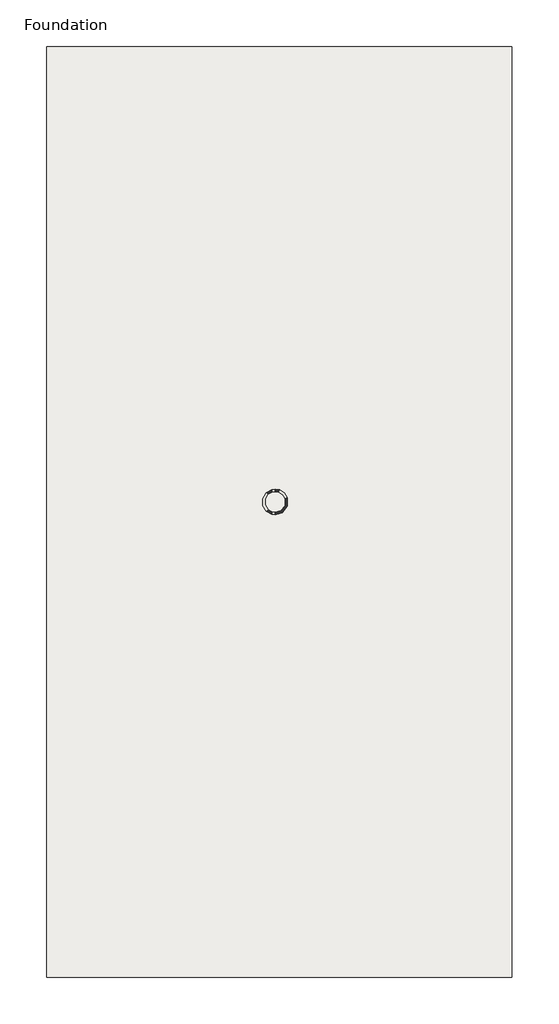
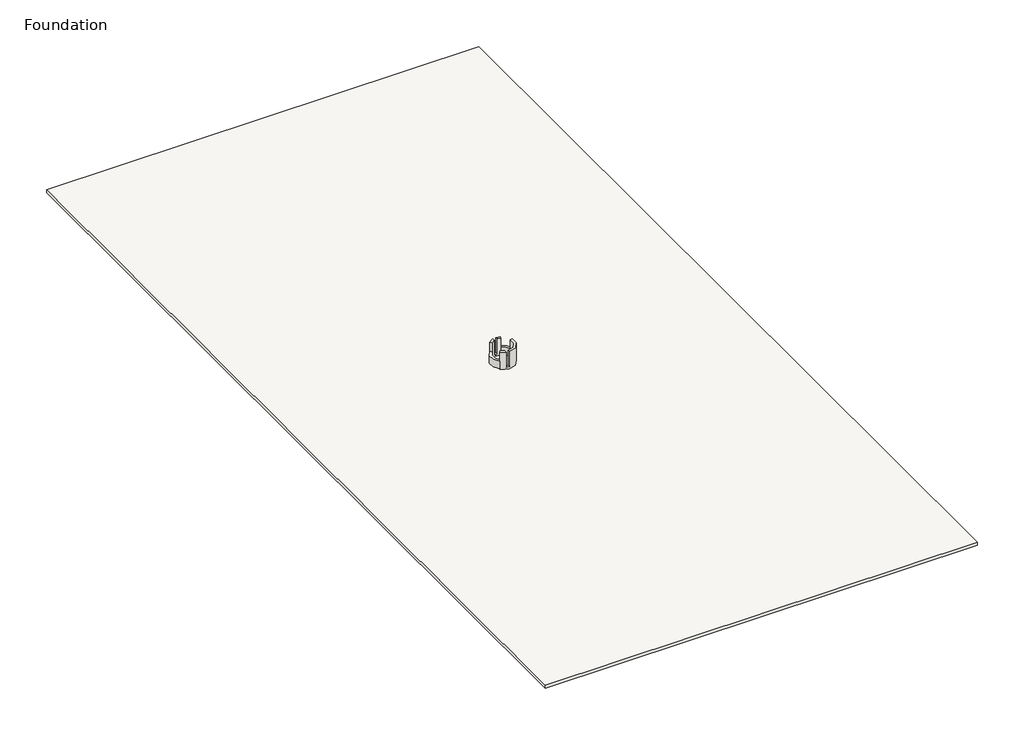
# One storey: 4 walls, 1 slab.
"""IFC4 building model written with IfcOpenShell, lengths in millimetres."""

import ifcopenshell
import ifcopenshell.guid

model = None  # the IFC model being written
_history = None  # IfcOwnerHistory: only IFC2X3 demands one
_inside = {}  # id of a spatial element -> (the spatial element, [elements in it])
_under = {}  # id of a project, library or spatial element -> (it, [spatial elements below it])
_declared = {}  # id of a project -> (the project, [libraries it declares])
_typed = {}  # id of a type object -> (the type object, [elements of that type])
_made_of = {}  # id of a material, layer set ... -> (it, [elements and type objects made of it])


def new_model(schema):
    """Start an empty IFC model of exactly this schema.

    Asked for "IFC4X3", IfcOpenShell would pick the latest addendum, in which some entities
    have other attributes; the version numbers below select the first issue.
    IFC2X3 requires an IfcOwnerHistory on every rooted entity: one is made here for all.
    """
    global model, _history
    if schema == "IFC4X3":
        model = ifcopenshell.file(schema_version=(4, 3, 0, 0))
    else:
        model = ifcopenshell.file(schema=schema)
    _inside.clear()
    _under.clear()
    _declared.clear()
    _typed.clear()
    _made_of.clear()
    _history = None
    if model.schema == "IFC2X3":
        org = make("IfcOrganization", Name="unknown")
        user = make(
            "IfcPersonAndOrganization",
            ThePerson=make("IfcPerson", FamilyName="unknown"),
            TheOrganization=org,
        )
        app = make(
            "IfcApplication",
            ApplicationDeveloper=org,
            Version="unknown",
            ApplicationFullName="unknown",
            ApplicationIdentifier="unknown",
        )
        _history = make(
            "IfcOwnerHistory",
            OwningUser=user,
            OwningApplication=app,
            ChangeAction="ADDED",
            CreationDate=0,
        )
    return model


def make(cls, **values):
    """One entity of the class cls with the attributes given. An attribute that is None is left unset."""
    return model.create_entity(
        cls, **{name: value for name, value in values.items() if value is not None}
    )


def rooted(cls, **values):
    """An entity with a GlobalId (a new one), such as an element, a storey or a relation."""
    return make(cls, GlobalId=ifcopenshell.guid.new(), OwnerHistory=_history, **values)


def si_unit(unit_type, name, prefix=None):
    """IfcSIUnit, for example si_unit("LENGTHUNIT", "METRE", prefix="MILLI")."""
    return make("IfcSIUnit", UnitType=unit_type, Prefix=prefix, Name=name)


def assignment(units):
    """IfcUnitAssignment: the units of a project."""
    return None if units is None else make("IfcUnitAssignment", Units=units)


def point(xyz):
    """IfcCartesianPoint."""
    return None if xyz is None else make("IfcCartesianPoint", Coordinates=xyz)


def direction(xyz):
    """IfcDirection."""
    return None if xyz is None else make("IfcDirection", DirectionRatios=xyz)


def frame(location, z_axis=None, x_axis=None):
    """IfcAxis2Placement3D, a coordinate frame: its origin and axes. An axis left out is left unset."""
    return make(
        "IfcAxis2Placement3D",
        Location=point(location),
        Axis=direction(z_axis),
        RefDirection=direction(x_axis),
    )


def frame_2d(location, x_axis=None):
    """IfcAxis2Placement2D, a coordinate frame in the plane: its origin and x axis."""
    return make(
        "IfcAxis2Placement2D", Location=point(location), RefDirection=direction(x_axis)
    )


def origin():
    """The frame at (0, 0, 0) with its axes left unset."""
    return frame((0.0, 0.0, 0.0))


def place(relative_to, where):
    """IfcLocalPlacement: puts the frame where relative to a parent placement (None: the world)."""
    return make(
        "IfcLocalPlacement", PlacementRelTo=relative_to, RelativePlacement=where
    )


def context(
    kind, dimensions, precision=None, world=None, true_north=None, identifier=None
):
    """IfcGeometricRepresentationContext, for example the 3D "Model" context."""
    return make(
        "IfcGeometricRepresentationContext",
        ContextIdentifier=identifier,
        ContextType=kind,
        CoordinateSpaceDimension=dimensions,
        Precision=precision,
        WorldCoordinateSystem=world,
        TrueNorth=true_north,
    )


def project(units=None, contexts=None):
    """IfcProject with its units and contexts."""
    return rooted(
        "IfcProject",
        Name="project",
        RepresentationContexts=contexts,
        UnitsInContext=assignment(units),
    )


def spatial(cls, under=None, at=None, **own):
    """A site, building, storey or space (cls), placed at a placement, below another one or the project."""
    s = rooted(cls, ObjectPlacement=at, **own)
    if under is not None:
        _under.setdefault(under.id(), (under, []))[1].append(s)
    return s


def polyline(points):
    """IfcPolyline through the points."""
    return make("IfcPolyline", Points=[point(p) for p in points])


def circle_curve(where, radius):
    """IfcCircle in the frame where."""
    return make("IfcCircle", Position=where, Radius=radius)


def trimmed(basis, trim1, trim2, sense, master):
    """IfcTrimmedCurve: the piece of a basis curve between two trims."""
    return make(
        "IfcTrimmedCurve",
        BasisCurve=basis,
        Trim1=trim1,
        Trim2=trim2,
        SenseAgreement=sense,
        MasterRepresentation=master,
    )


def segment(curve, same_sense, transition):
    """IfcCompositeCurveSegment."""
    return make(
        "IfcCompositeCurveSegment",
        Transition=transition,
        SameSense=same_sense,
        ParentCurve=curve,
    )


def composite_curve(segments, self_intersect=None):
    """IfcCompositeCurve: segments joined end to end."""
    return make("IfcCompositeCurve", Segments=segments, SelfIntersect=self_intersect)


def outline(outer, holes=None, kind="AREA"):
    """IfcArbitraryClosedProfileDef: a profile drawn as a closed curve; with holes, ...WithVoids."""
    if holes is None:
        return make("IfcArbitraryClosedProfileDef", ProfileType=kind, OuterCurve=outer)
    return make(
        "IfcArbitraryProfileDefWithVoids",
        ProfileType=kind,
        OuterCurve=outer,
        InnerCurves=holes,
    )


def extrude(swept, where, along, depth):
    """IfcExtrudedAreaSolid: the profile swept, set in the frame where, extruded along a direction by depth."""
    return make(
        "IfcExtrudedAreaSolid",
        SweptArea=swept,
        Position=where,
        ExtrudedDirection=direction(along),
        Depth=depth,
    )


def shape(context_of_items, identifier, shape_type, items):
    """IfcShapeRepresentation: the items that make up one representation, for example the "Body"."""
    return make(
        "IfcShapeRepresentation",
        ContextOfItems=context_of_items,
        RepresentationIdentifier=identifier,
        RepresentationType=shape_type,
        Items=items,
    )


def made_of(thing, what):
    """Note that an element or type object is made of a material, layer set ...; save() writes the relation."""
    if what is not None:
        _made_of.setdefault(what.id(), (what, []))[1].append(thing)
    return thing


def element(
    cls,
    number,
    at=None,
    inside=None,
    cuts=None,
    type_object=None,
    material=None,
    context=None,
    identifier="Body",
    shape_type=None,
    held_by="IfcProductDefinitionShape",
    body=None,
    shapes=None,
    **own,
):
    """One element of the class cls, such as IfcWall. Its Tag is "e" and its number.

    at: its placement. inside: the storey or other place that contains it. cuts: it is an
    opening in that element (IfcRelVoidsElement). A single representation is given by context,
    identifier, shape_type and body (its items); several are given by shapes. held_by: the class
    of the entity that holds the representations. save() writes the other relations.
    """
    e = rooted(cls, Tag="e%d" % number, ObjectPlacement=at, **own)
    if body is not None:
        shapes = [shape(context, identifier, shape_type, body)]
    if shapes is not None:
        e.Representation = make(held_by, Representations=shapes)
    if inside is not None:
        _inside.setdefault(inside.id(), (inside, []))[1].append(e)
    if cuts is not None:
        rooted(
            "IfcRelVoidsElement", RelatingBuildingElement=cuts, RelatedOpeningElement=e
        )
    if type_object is not None:
        _typed.setdefault(type_object.id(), (type_object, []))[1].append(e)
    return made_of(e, material)


def aggregate(whole, parts):
    """IfcRelAggregates: a whole, such as a stair, and the parts it consists of."""
    return rooted("IfcRelAggregates", RelatingObject=whole, RelatedObjects=parts)


def save(model, path):
    """Write the relations noted so far, then the file.

    IfcRelAggregates (storeys below a building ...), IfcRelContainedInSpatialStructure (elements
    in a storey), IfcRelDefinesByType, IfcRelAssociatesMaterial and IfcRelDeclares: one each for
    every whole, place, type object, material and project.
    """
    for whole, parts in _under.values():
        aggregate(whole, parts)
    for where, things in _inside.values():
        rooted(
            "IfcRelContainedInSpatialStructure",
            RelatedElements=things,
            RelatingStructure=where,
        )
    for kind, things in _typed.values():
        rooted("IfcRelDefinesByType", RelatedObjects=things, RelatingType=kind)
    for what, things in _made_of.values():
        rooted("IfcRelAssociatesMaterial", RelatedObjects=things, RelatingMaterial=what)
    for by, libraries in _declared.values():
        rooted("IfcRelDeclares", RelatingContext=by, RelatedDefinitions=libraries)
    model.write(path)


def plane_surface(at):
    """IfcPlane: the flat surface through the origin of the frame at, square to its z axis."""
    return make("IfcPlane", Position=at)


def cylinder_surface(at, radius):
    """IfcCylindricalSurface: all points at the distance radius from the z axis of the frame at."""
    return make("IfcCylindricalSurface", Position=at, Radius=radius)


def revolved_surface(curve, axis_point, axis_direction):
    """IfcSurfaceOfRevolution: the curve turned about the line through axis_point along axis_direction."""
    return make(
        "IfcSurfaceOfRevolution",
        SweptCurve=make("IfcArbitraryOpenProfileDef", ProfileType="CURVE", Curve=curve),
        AxisPosition=make("IfcAxis1Placement", Location=point(axis_point), Axis=direction(axis_direction)),
    )


def advanced_brep(points, edges, surfaces, faces):
    """IfcAdvancedBrep: a solid bounded by faces that lie on surfaces and meet in shared edges.

    An edge is (start, end): straight between two places in points (the first is 0);
    or (start, end, curve); or (start, end, curve, False) where it runs against its curve.
    A face is (place in surfaces, loops), or (place, loops, False) where it looks against
    its surface's normal. A loop lists edges by number (the first is 1), with a minus sign
    where the edge is run from its end to its start. The first loop is the outer one.
    """
    corners = [point(p) for p in points]
    vertices = [make("IfcVertexPoint", VertexGeometry=c) for c in corners]
    made = []
    for start, end, *more in edges:
        made.append(
            make(
                "IfcEdgeCurve",
                EdgeStart=vertices[start],
                EdgeEnd=vertices[end],
                EdgeGeometry=more[0] if more else make("IfcPolyline", Points=[corners[start], corners[end]]),
                SameSense=more[1] if len(more) > 1 else True,
            )
        )
    hull = []
    for where, loops, *sense in faces:
        bounds = []
        for j, loop in enumerate(loops):
            ring = [make("IfcOrientedEdge", EdgeElement=made[abs(k) - 1], Orientation=k > 0) for k in loop]
            bounds.append(
                make(
                    "IfcFaceOuterBound" if j == 0 else "IfcFaceBound",
                    Bound=make("IfcEdgeLoop", EdgeList=ring),
                    Orientation=True,
                )
            )
        hull.append(make("IfcAdvancedFace", Bounds=bounds, FaceSurface=surfaces[where], SameSense=sense[0] if sense else True))
    return make("IfcAdvancedBrep", Outer=make("IfcClosedShell", CfsFaces=hull))


model = new_model("IFC4")

# Units and contexts
model_context = context("Model", 3, world=origin())
ifc_project = project(units=[si_unit("LENGTHUNIT", "METRE", prefix="MILLI")], contexts=[model_context])

# Site, building, storey
site = spatial("IfcSite", under=ifc_project)
building = spatial("IfcBuilding", under=site)
storey = spatial("IfcBuildingStorey", under=building, Name="Foundation", Elevation=-600.0)

# Slab
placement = place(None, origin())
element("IfcSlab", 1, ObjectType="Grass", at=placement, inside=storey, context=model_context, shape_type="SweptSolid", body=[
    extrude(outline(polyline([(48550.0, -29305.3566039), (8550.0, -29305.3566039), (8550.0, 50694.6433961), (48550.0, 50694.6433961), (48550.0, -29305.3566039)])), frame((0.0, 0.0, -500.0), z_axis=(0.0, 0.0, 1.0), x_axis=(1.0, 0.0, 0.0)), (0.0, 0.0, 1.0), 300.0),
])

# Walls
element("IfcWall", 2, ObjectType="Wall 200", at=placement, inside=storey, context=model_context, shape_type="AdvancedBrep", body=[
    advanced_brep(
    [(27583.9061217, 10897.6796482, 1500.0), (27440.1649102, 10744.5833905, 1500.0), (27900.0, 10485.0988056, 1500.0), (27900.0, 10705.2570781, 1500.0), (29253.4576829, 11903.3779902, 1500.0), (29054.1435049, 11837.2428372, 1500.0), (28200.0, 10653.8064689, 1500.0), (28200.0, 10443.8064685, 1500.0), (27583.9061217, 10897.6796482, -200.0), (29054.1435049, 11837.2428372, -200.0), (29253.4576829, 11903.3779902, -200.0), (27440.1649102, 10744.5833905, -200.0), (27583.9061217, 10897.6796482, -120.0), (27583.9061217, 10897.6796482, 600.0), (27900.0, 10705.2570781, 0.0), (28200.0, 10653.8064689, 0.0), (29054.1435049, 11837.2428372, 600.0), (29054.1435049, 11837.2428372, -120.0), (27440.1649102, 10744.5833905, -120.0), (27440.1649102, 10744.5833905, 600.0), (29253.4576829, 11903.3779902, -120.0), (29253.4576829, 11903.3779902, 600.0), (28200.0, 10443.8064685, 0.0), (27900.0, 10485.0988056, 0.0)],
    [
        (0, 1),
        (1, 2, circle_curve(frame((28199.9398851, 11553.8064669, 1500.0), z_axis=(0.0, 0.0, 1.0), x_axis=(1.0, 0.0, 0.0)), 1110.0)),
        (2, 3),
        (3, 0, circle_curve(frame((28199.9398851, 11553.8064669, 1500.0), z_axis=(0.0, 0.0, -1.0), x_axis=(1.0, 0.0, 0.0)), 900.0)),
        (4, 5),
        (5, 6, circle_curve(frame((28199.9398851, 11553.8064669, 1500.0), z_axis=(0.0, 0.0, -1.0), x_axis=(1.0, 0.0, 0.0)), 900.0)),
        (6, 7),
        (7, 4, circle_curve(frame((28199.9398851, 11553.8064669, 1500.0), z_axis=(0.0, 0.0, 1.0), x_axis=(1.0, 0.0, 0.0)), 1110.0)),
        (8, 9, circle_curve(frame((28199.9398851, 11553.8064669, -200.0), z_axis=(0.0, 0.0, 1.0), x_axis=(1.0, 0.0, 0.0)), 900.0)),
        (9, 10),
        (10, 11, circle_curve(frame((28199.9398851, 11553.8064669, -200.0), z_axis=(0.0, 0.0, -1.0), x_axis=(1.0, 0.0, 0.0)), 1110.0)),
        (11, 8),
        (8, 12),
        (12, 13),
        (13, 0),
        (3, 14),
        (14, 15, circle_curve(frame((28199.9398851, 11553.8064669, 0.0), z_axis=(0.0, 0.0, 1.0), x_axis=(1.0, 0.0, 0.0)), 900.0)),
        (15, 6),
        (5, 16),
        (16, 17),
        (17, 9),
        (11, 18),
        (18, 19),
        (19, 1),
        (10, 20),
        (20, 21),
        (21, 4),
        (7, 22),
        (22, 23, circle_curve(frame((28199.9398851, 11553.8064669, 0.0), z_axis=(0.0, 0.0, -1.0), x_axis=(1.0, 0.0, 0.0)), 1110.0)),
        (23, 2),
        (23, 14),
        (15, 22),
    ],
    [
        plane_surface(frame((29099.9398851, 11553.8064669, 1500.0), z_axis=(0.0, 0.0, 1.0), x_axis=(0.0, -1.0, 0.0))),
        plane_surface(frame((29099.9398851, 11553.8064669, -200.0), z_axis=(0.0, 0.0, -1.0), x_axis=(0.0, 1.0, 0.0))),
        revolved_surface(polyline([(29099.9398851, 11553.8064669, -200.0), (29099.9398851, 11553.8064669, 1500.0)]), (28199.9398851, 11553.8064669, -200.0), (0.0, 0.0, -1.0)),
        plane_surface(frame((27583.9061217, 10897.6796482, 1500.0), z_axis=(-0.7290297985734765, 0.6844819594349556, 0.0), x_axis=(0.0, 0.0, -1.0))),
        cylinder_surface(frame((28199.9398851, 11553.8064669, -200.0), z_axis=(0.0, 0.0, 1.0), x_axis=(1.0, 0.0, 0.0)), 1110.0),
        plane_surface(frame((29253.4576829, 11903.3779902, 1500.0), z_axis=(-0.31492930029176736, 0.9491151330674998, 0.0), x_axis=(0.0, 0.0, -1.0))),
        plane_surface(frame((27900.0, 13200.0, 0.0), z_axis=(1.0, 0.0, 0.0), x_axis=(0.0, -1.0, 0.0))),
        plane_surface(frame((28200.0, 13200.0, 0.0), z_axis=(-1.0, 0.0, 0.0), x_axis=(0.0, 1.0, 0.0))),
        plane_surface(frame((27900.0, 13500.0, 0.0), z_axis=(0.0, 0.0, 1.0), x_axis=(1.0, 0.0, 0.0))),
    ],
    [
        (0, [[1, 2, 3, 4]]),
        (0, [[5, 6, 7, 8]]),
        (1, [[9, 10, 11, 12]]),
        (2, [[-9, 13, 14, 15, -4, 16, 17, 18, -6, 19, 20, 21]]),
        (3, [[-1, -15, -14, -13, -12, 22, 23, 24]]),
        (4, [[-11, 25, 26, 27, -8, 28, 29, 30, -2, -24, -23, -22]]),
        (5, [[-5, -27, -26, -25, -10, -21, -20, -19]]),
        (6, [[31, -16, -3, -30]]),
        (7, [[32, -28, -7, -18]]),
        (8, [[-31, -29, -32, -17]]),
    ],
),
])
element("IfcWall", 3, ObjectType="Wall 200", at=placement, inside=storey, context=model_context, shape_type="SweptSolid", body=[
    extrude(outline(composite_curve([segment(polyline([(28504.0435347, 12400.8725625), (28575.0010529, 12598.5213182)]), True, "CONTINUOUS"), segment(trimmed(circle_curve(frame_2d((28199.9398851, 11553.8064669)), 1110.0), [point((28575.0010529, 12598.5213182))], [point((29253.4576829, 11903.3779902))], False, "CARTESIAN"), True, "CONTINUOUS"), segment(polyline([(29253.4576829, 11903.3779902), (29054.1435049, 11837.2428372)]), True, "CONTINUOUS"), segment(trimmed(circle_curve(frame_2d((28199.9398851, 11553.8064669)), 900.0), [point((29054.1435049, 11837.2428372))], [point((28504.0435347, 12400.8725625))], True, "CARTESIAN"), True, "CONTINUOUS")], self_intersect=False)), frame((0.0, 0.0, -120.0), z_axis=(0.0, 0.0, 1.0), x_axis=(1.0, 0.0, 0.0)), (0.0, 0.0, 1.0), 720.0),
])
element("IfcWall", 4, ObjectType="Wall 200", at=placement, inside=storey, context=model_context, shape_type="SweptSolid", body=[
    extrude(outline(composite_curve([segment(polyline([(27583.9061217, 10897.6796482), (27440.1649102, 10744.5833905)]), True, "CONTINUOUS"), segment(trimmed(circle_curve(frame_2d((28199.9398851, 11553.8064669)), 1110.0), [point((27440.1649102, 10744.5833905))], [point((27434.6239009, 12357.7911958))], False, "CARTESIAN"), True, "CONTINUOUS"), segment(polyline([(27434.6239009, 12357.7911958), (27579.4134114, 12205.6859768)]), True, "CONTINUOUS"), segment(trimmed(circle_curve(frame_2d((28199.9398851, 11553.8064669)), 900.0), [point((27579.4134114, 12205.6859768))], [point((27583.9061217, 10897.6796482))], True, "CARTESIAN"), True, "CONTINUOUS")], self_intersect=False)), frame((0.0, 0.0, -120.0), z_axis=(0.0, 0.0, 1.0), x_axis=(1.0, 0.0, 0.0)), (0.0, 0.0, 1.0), 720.0),
])
element("IfcWall", 5, ObjectType="Wall 200", at=placement, inside=storey, context=model_context, shape_type="AdvancedBrep", body=[
    advanced_brep(
    [(28504.0435347, 12400.8725625, 1500.0), (28575.0010529, 12598.5213182, 1500.0), (28200.0, 12663.8064653, 1500.0), (28200.0, 12453.8064649, 1500.0), (27434.6239009, 12357.7911958, 1500.0), (27579.4134114, 12205.6859768, 1500.0), (27900.0, 12402.3558557, 1500.0), (27900.0, 12622.5141282, 1500.0), (28504.0435347, 12400.8725625, -120.0), (27579.4134114, 12205.6859768, -120.0), (27434.6239009, 12357.7911958, -120.0), (28575.0010529, 12598.5213182, -120.0), (28504.0435347, 12400.8725625, 600.0), (28200.0, 12453.8064649, 0.0), (27900.0, 12402.3558557, 0.0), (27579.4134114, 12205.6859768, 600.0), (28575.0010529, 12598.5213182, 600.0), (27434.6239009, 12357.7911958, 600.0), (27900.0, 12622.5141282, 0.0), (28200.0, 12663.8064653, 0.0)],
    [
        (0, 1),
        (1, 2, circle_curve(frame((28199.9398851, 11553.8064669, 1500.0), z_axis=(0.0, 0.0, 1.0), x_axis=(1.0, 0.0, 0.0)), 1110.0)),
        (2, 3),
        (3, 0, circle_curve(frame((28199.9398851, 11553.8064669, 1500.0), z_axis=(0.0, 0.0, -1.0), x_axis=(1.0, 0.0, 0.0)), 900.0)),
        (4, 5),
        (5, 6, circle_curve(frame((28199.9398851, 11553.8064669, 1500.0), z_axis=(0.0, 0.0, -1.0), x_axis=(1.0, 0.0, 0.0)), 900.0)),
        (6, 7),
        (7, 4, circle_curve(frame((28199.9398851, 11553.8064669, 1500.0), z_axis=(0.0, 0.0, 1.0), x_axis=(1.0, 0.0, 0.0)), 1110.0)),
        (8, 9, circle_curve(frame((28199.9398851, 11553.8064669, -120.0), z_axis=(0.0, 0.0, 1.0), x_axis=(1.0, 0.0, 0.0)), 900.0)),
        (9, 10),
        (10, 11, circle_curve(frame((28199.9398851, 11553.8064669, -120.0), z_axis=(0.0, 0.0, -1.0), x_axis=(1.0, 0.0, 0.0)), 1110.0)),
        (11, 8),
        (8, 12),
        (12, 0),
        (3, 13),
        (13, 14, circle_curve(frame((28199.9398851, 11553.8064669, 0.0), z_axis=(0.0, 0.0, 1.0), x_axis=(1.0, 0.0, 0.0)), 900.0)),
        (14, 6),
        (5, 15),
        (15, 9),
        (11, 16),
        (16, 1),
        (10, 17),
        (17, 4),
        (7, 18),
        (18, 19, circle_curve(frame((28199.9398851, 11553.8064669, 0.0), z_axis=(0.0, 0.0, -1.0), x_axis=(1.0, 0.0, 0.0)), 1110.0)),
        (19, 2),
        (14, 18),
        (19, 13),
    ],
    [
        plane_surface(frame((29099.9398851, 11553.8064669, 1500.0), z_axis=(0.0, 0.0, 1.0), x_axis=(0.0, -1.0, 0.0))),
        plane_surface(frame((29099.9398851, 11553.8064669, -120.0), z_axis=(0.0, 0.0, -1.0), x_axis=(0.0, 1.0, 0.0))),
        revolved_surface(polyline([(29099.9398851, 11553.8064669, -120.0), (29099.9398851, 11553.8064669, 1500.0)]), (28199.9398851, 11553.8064669, -120.0), (0.0, 0.0, -1.0)),
        plane_surface(frame((28504.0435347, 12400.8725625, 1500.0), z_axis=(0.9411845506840504, -0.3378929439240515, 0.0), x_axis=(0.0, 0.0, -1.0))),
        cylinder_surface(frame((28199.9398851, 11553.8064669, -120.0), z_axis=(0.0, 0.0, 1.0), x_axis=(1.0, 0.0, 0.0)), 1110.0),
        plane_surface(frame((27434.6239009, 12357.7911958, 1500.0), z_axis=(-0.7243105665687037, -0.6894738596617883, 0.0), x_axis=(0.0, 0.0, -1.0))),
        plane_surface(frame((27900.0, 13200.0, 0.0), z_axis=(1.0, 0.0, 0.0), x_axis=(0.0, -1.0, 0.0))),
        plane_surface(frame((28200.0, 13200.0, 0.0), z_axis=(-1.0, 0.0, 0.0), x_axis=(0.0, 1.0, 0.0))),
        plane_surface(frame((27900.0, 13500.0, 0.0), z_axis=(0.0, 0.0, 1.0), x_axis=(1.0, 0.0, 0.0))),
    ],
    [
        (0, [[1, 2, 3, 4]]),
        (0, [[5, 6, 7, 8]]),
        (1, [[9, 10, 11, 12]]),
        (2, [[-9, 13, 14, -4, 15, 16, 17, -6, 18, 19]]),
        (3, [[-1, -14, -13, -12, 20, 21]]),
        (4, [[-11, 22, 23, -8, 24, 25, 26, -2, -21, -20]]),
        (5, [[-5, -23, -22, -10, -19, -18]]),
        (6, [[27, -24, -7, -17]]),
        (7, [[28, -15, -3, -26]]),
        (8, [[-27, -16, -28, -25]]),
    ],
),
])

save(model, "model.ifc")
